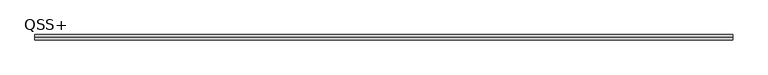
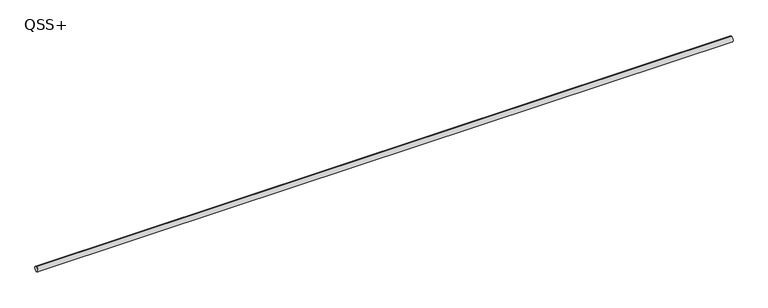
"""IFC4 building model written with IfcOpenShell, lengths in millimetres: proxy geometry, QSS+."""

from ifc_helpers import new_model, si_unit, point, frame, origin, origin_2d, place, context, project, spatial, circle_curve, trimmed, segment, composite_curve, outline, extrude, source, transform, mapped, element, save


def qss_edf1bd80(model_context):
    return source(origin(), model_context, "Body", "SweptSolid", [
        extrude(outline(composite_curve([segment(trimmed(circle_curve(origin_2d(), 7.5), [point((0.0, 7.5))], [point((0.0, -7.5))], False, "CARTESIAN"), True, "CONTINUOUS"), segment(trimmed(circle_curve(origin_2d(), 7.5), [point((0.0, -7.5))], [point((0.0, 7.5))], False, "CARTESIAN"), True, "CONTINUOUS")], self_intersect=False)), frame((-1000.0, 0.0, 0.0), z_axis=(1.0, 0.0, 0.0), x_axis=(0.0, 1.0, 0.0)), (0.0, 0.0, 1.0), 2000.0),
    ])


if __name__ == "__main__":
    model = new_model("IFC4")
    model_context = context("Model", 3, world=origin())
    ifc_project = project(units=[si_unit("LENGTHUNIT", "METRE", prefix="MILLI")], contexts=[model_context])
    site = spatial("IfcSite", under=ifc_project)
    building = spatial("IfcBuilding", under=site)
    placement = place(None, origin())
    qss_shape = qss_edf1bd80(model_context)
    element("IfcBuildingElementProxy", 1, Name="QSS+", ObjectType="QSS+", at=placement, inside=building, context=model_context, shape_type="MappedRepresentation", body=[
        mapped(qss_shape, transform((0.0, 0.0, 0.0), x_axis=(1.0, 0.0, 0.0), y_axis=(0.0, 1.0, 0.0), z_axis=(0.0, 0.0, 1.0))),
    ])
    save(model, "model.ifc")
